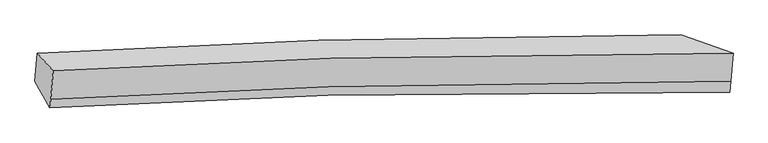
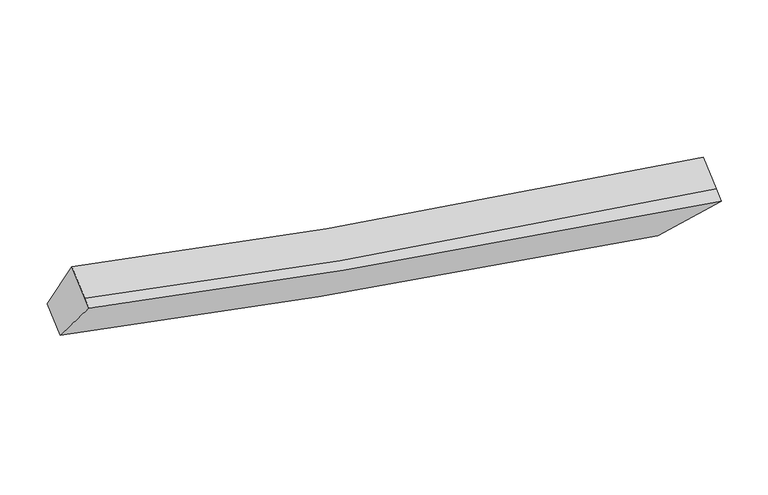
"""IFC4 building model written with IfcOpenShell, lengths in millimetres: proxy geometry."""

from ifc_helpers import new_model, si_unit, frame, origin, place, context, project, spatial, source, transform, mapped, element, save
from ifc_brep_helpers import plane_surface, spline_curve, spline_surface, advanced_brep


def generic_models_1519ae51(model_context):
    return source(origin(), model_context, "Body", "AdvancedBrep", [
        advanced_brep(
        [(-3916.2568812, -1845.2622903, 3776.219276), (-3700.7580294, -2086.6103816, 4414.1849938), (5531.1172964, -1843.661694, 2700.8749389), (4819.2965197, -1596.6662302, 2119.0775588), (-3734.8151906, -2470.1960046, 4176.0545596), (5497.2897457, -2224.661216, 2464.3499595), (-3745.3458458, -2588.8027175, 4102.423364), (5483.7503319, -2377.1555611, 2369.6812794), (-3949.7670828, -2222.6875116, 3541.9132269), (4783.2333839, -2002.8451356, 1866.9211866)],
        [
            (0, 1),
            (1, 2, spline_curve(3, [(-3700.7580294, -2086.6103816, 4414.1849938), (-2476.477195077, -2012.543853589, 4101.218623696), (-1219.579581357, -1955.316757199, 3818.466014689), (1829.593088354, -1859.816494672, 3221.315213543), (3649.987249866, -1836.060695121, 2932.964470644), (5531.1172964, -1843.661694, 2700.8749389)], [4, 2, 4], [0.0, 12.695854072647737, 30.020487913425615])),
            (2, 3),
            (3, 0, spline_curve(3, [(4819.2965197, -1596.6662302, 2119.0775588), (3240.167487551, -1588.919024116, 2310.745752084), (1602.589337722, -1613.239919767, 2575.766674472), (-1336.322188687, -1710.951954749, 3162.107617276), (-2610.595172415, -1769.496412065, 3449.467266795), (-3916.2568812, -1845.2622903, 3776.219276)], [4, 2, 4], [0.0, 17.324633840777878, 30.020487913425615])),
            (1, 4),
            (4, 5, spline_curve(3, [(-3734.8151906, -2470.1960046, 4176.0545596), (-2510.558076338, -2396.396633442, 3862.922338522), (-1253.660462722, -2339.169537045, 3580.169729456), (1795.568295451, -2243.037558146, 2983.411097982), (3616.038993808, -2218.419724589, 2695.59550709), (5497.2897457, -2224.661216, 2464.3499595)], [4, 2, 4], [0.0, 13.042086729224794, 30.839186145346698])),
            (5, 2),
            (4, 6),
            (6, 7, spline_curve(3, [(-3745.3458458, -2588.8027175, 4102.423364), (-2520.777912273, -2511.502588817, 3791.464417133), (-1263.880298096, -2454.275492502, 3508.711808379), (1784.613498666, -2366.421369186, 2906.814273987), (3604.08127796, -2353.099412939, 2611.986188574), (5483.7503319, -2377.1555611, 2369.6812794)], [4, 2, 4], [0.0, 13.042033286951957, 30.839059776289794])),
            (7, 5),
            (6, 8),
            (8, 9, spline_curve(3, [(-3949.7670828, -2222.6875116, 3541.9132269), (-2643.841643582, -2143.951238231, 3217.005242954), (-1369.568659634, -2085.406780569, 2929.645593345), (1568.719251708, -1994.718512645, 2338.944287309), (3205.446424072, -1979.982178517, 2067.973256744), (4783.2333839, -2002.8451356, 1866.9211866)], [4, 2, 4], [0.0, 12.69586715871862, 30.020518856616246])),
            (9, 7),
            (8, 0),
            (3, 9),
        ],
        [
            spline_surface(3, 3, [[(-3916.2568812, -1845.2622903, 3776.219276), (-2610.595172489, -1769.496412236, 3449.467266871), (-1336.322188653, -1710.951954691, 3162.107617131), (1602.589337675, -1613.239919845, 2575.76667467), (3240.167487477, -1588.919024017, 2310.745751993), (4819.2965197, -1596.6662302, 2119.0775588)], [(-3844.423930616, -1925.711654074, 3988.874515271), (-2565.889180077, -1850.512226029, 3666.717719185), (-1297.407986247, -1792.406888898, 3380.893749687), (1678.257254608, -1695.432111437, 2790.949520904), (3376.774074963, -1671.299581025, 2518.151991578), (5056.57011193, -1678.998051464, 2313.010018851)], [(-3772.590979984, -2006.161017826, 4201.529754529), (-2521.183187617, -1931.528039801, 3883.968171487), (-1258.493783846, -1873.861823062, 3599.679882252), (1753.925171534, -1777.624302985, 3006.132367147), (3513.38066246, -1753.680138042, 2725.55823111), (5293.84370417, -1761.329872736, 2506.942478849)], [(-3700.7580294, -2086.6103816, 4414.1849938), (-2476.477195205, -2012.543853594, 4101.218623801), (-1219.579581439, -1955.316757269, 3818.466014808), (1829.593088467, -1859.816494576, 3221.31521338), (3649.987249946, -1836.06069505, 2932.964470695), (5531.1172964, -1843.661694, 2700.8749389)]], [4, 4], [4, 2, 4], [0.0, 2.363377863019585], [0.0, 12.695854072647737, 30.020487913425615]),
            spline_surface(3, 3, [[(-3700.7580294, -2086.6103816, 4414.1849938), (-2476.477195205, -2012.543853594, 4101.218623801), (-1219.579581439, -1955.316757269, 3818.466014808), (1829.593088467, -1859.816494576, 3221.31521338), (3649.987249946, -1836.06069505, 2932.964470695), (5531.1172964, -1843.661694, 2700.8749389)], [(-3712.110416445, -2214.472255927, 4334.808182411), (-2487.837488875, -2140.494780193, 4021.786528651), (-1230.939875109, -2083.267683867, 3739.033919657), (1818.251490722, -1987.556849076, 3142.013841652), (3638.671164471, -1963.513704997, 2853.841482824), (5519.841446163, -1970.66153467, 2622.033279083)], [(-3723.462803555, -2342.334130273, 4255.431370989), (-2499.19778261, -2268.44570681, 3942.354433468), (-1242.300168844, -2211.218610484, 3659.601824474), (1806.909892911, -2115.297203595, 3062.712469891), (3627.355079005, -2090.966714936, 2774.718495005), (5508.565595937, -2097.66137533, 2543.191619317)], [(-3734.8151906, -2470.1960046, 4176.0545596), (-2510.55807628, -2396.396633408, 3862.922338317), (-1253.660462514, -2339.169537083, 3580.169729324), (1795.568295167, -2243.037558095, 2983.411098162), (3616.03899353, -2218.419724883, 2695.595507133), (5497.2897457, -2224.661216, 2464.3499595)]], [4, 4], [4, 2, 4], [0.0, 1.4848087113649695], [0.0, 13.042086729224794, 30.839186145346698]),
            spline_surface(3, 3, [[(-3734.8151906, -2470.1960046, 4176.0545596), (-2510.55807628, -2396.396633408, 3862.922338317), (-1253.660462514, -2339.169537083, 3580.169729324), (1795.568295167, -2243.037558095, 2983.411098162), (3616.03899353, -2218.419724883, 2695.595507133), (5497.2897457, -2224.661216, 2464.3499595)], [(-3738.325408997, -2509.731575556, 4151.510827737), (-2513.964688208, -2434.765285263, 3839.103031291), (-1257.067074442, -2377.538188937, 3556.350422298), (1791.916696432, -2284.165495034, 2957.878823507), (3612.053088281, -2263.312954295, 2667.725734205), (5492.776607761, -2275.492664372, 2432.793732819)], [(-3741.835627403, -2549.267146544, 4126.967095863), (-2517.371300145, -2473.133937149, 3815.283724254), (-1260.473686379, -2415.906840823, 3532.53111526), (1788.265097688, -2325.293432006, 2932.34654884), (3608.067183049, -2308.20618369, 2639.855961219), (5488.263469839, -2326.324112728, 2401.237506081)], [(-3745.3458458, -2588.8027175, 4102.423364), (-2520.777912073, -2511.502589003, 3791.464417228), (-1263.880298307, -2454.275492678, 3508.711808234), (1784.613498954, -2366.421368945, 2906.814274184), (3604.081277801, -2353.099413102, 2611.986188291), (5483.7503319, -2377.1555611, 2369.6812794)]], [4, 4], [4, 2, 4], [0.0, 0.46808330322007724], [0.0, 13.042033286951957, 30.839059776289794]),
            spline_surface(3, 3, [[(-3745.3458458, -2588.8027175, 4102.423364), (-2520.777912073, -2511.502589003, 3791.464417228), (-1263.880298307, -2454.275492678, 3508.711808234), (1784.613498954, -2366.421368945, 2906.814274184), (3604.081277801, -2353.099413102, 2611.986188291), (5483.7503319, -2377.1555611, 2369.6812794)], [(-3813.48625816, -2466.764315542, 3915.586651613), (-2561.799155931, -2388.985472029, 3599.978025798), (-1299.109752159, -2331.319255291, 3315.689736562), (1712.648749949, -2242.520416874, 2717.524278585), (3471.202993132, -2228.727001485, 2430.64854453), (5250.244682563, -2252.385419265, 2202.094581801)], [(-3881.62667044, -2344.725913558, 3728.749939287), (-2602.820399707, -2266.468355029, 3408.491634428), (-1334.339205976, -2208.363017897, 3122.66766493), (1640.684000979, -2118.619464796, 2528.234283026), (3338.324708473, -2104.354589872, 2249.310900767), (5016.739033237, -2127.615277435, 2034.507884199)], [(-3949.7670828, -2222.6875116, 3541.9132269), (-2643.841643564, -2143.951238055, 3217.005242999), (-1369.568659829, -2085.40678051, 2929.645593258), (1568.719251974, -1994.718512725, 2338.944287427), (3205.446423804, -1979.982178255, 2067.973257007), (4783.2333839, -2002.8451356, 1866.9211866)]], [4, 4], [4, 2, 4], [0.0, 2.3133223065923034], [0.0, 12.69586715871862, 30.020518856616246]),
            spline_surface(3, 3, [[(-3949.7670828, -2222.6875116, 3541.9132269), (-2643.841643564, -2143.951238055, 3217.005242999), (-1369.568659829, -2085.40678051, 2929.645593258), (1568.719251974, -1994.718512725, 2338.944287427), (3205.446423804, -1979.982178255, 2067.973257007), (4783.2333839, -2002.8451356, 1866.9211866)], [(-3938.597015582, -2096.8791045, 3620.015243268), (-2632.759486521, -2019.132962782, 3294.492584291), (-1358.486502786, -1960.588505237, 3007.13293455), (1580.009280526, -1867.558981765, 2417.885083176), (3217.020111711, -1849.627793505, 2148.897421982), (4795.254429183, -1867.452167129, 1950.973310646)], [(-3927.426948418, -1971.0706974, 3698.117259632), (-2621.677329532, -1894.314687509, 3371.979925579), (-1347.404345696, -1835.770229964, 3084.620275838), (1591.299309123, -1740.399450805, 2496.825878921), (3228.59379957, -1719.273408767, 2229.821587018), (4807.275474417, -1732.059198671, 2035.025434754)], [(-3916.2568812, -1845.2622903, 3776.219276), (-2610.595172489, -1769.496412236, 3449.467266871), (-1336.322188653, -1710.951954691, 3162.107617131), (1602.589337675, -1613.239919845, 2575.76667467), (3240.167487477, -1588.919024017, 2310.745751993), (4819.2965197, -1596.6662302, 2119.0775588)]], [4, 4], [4, 2, 4], [0.0, 1.4690585419589681], [0.0, 12.350008744496973, 29.202705554377165]),
            plane_surface(frame((5154.349383, -1955.0821553, 2264.138741), z_axis=(0.6625505024259688, 0.35171358078278575, -0.6613050648740315), x_axis=(-0.7452307957552666, 0.39820258032358236, -0.5348511625504923))),
            plane_surface(frame((-3828.0319598, -2185.8407253, 3958.6852151), z_axis=(-0.9534465839748532, -0.09335960310844466, 0.28674657105903983), x_axis=(-0.07521896564742572, -0.8471908062040044, -0.5259371113453969))),
        ],
        [
            (0, [[1, 2, 3, 4]]),
            (1, [[5, 6, 7, -2]]),
            (2, [[8, 9, 10, -6]]),
            (3, [[11, 12, 13, -9]]),
            (4, [[14, -4, 15, -12]]),
            (5, [[-13, -15, -3, -7, -10]]),
            (6, [[-14, -11, -8, -5, -1]]),
        ],
    ),
    ])


if __name__ == "__main__":
    model = new_model("IFC4")
    model_context = context("Model", 3, world=origin())
    ifc_project = project(units=[si_unit("LENGTHUNIT", "METRE", prefix="MILLI")], contexts=[model_context])
    site = spatial("IfcSite", under=ifc_project)
    building = spatial("IfcBuilding", under=site)
    placement = place(None, origin())
    generic_models_shape = generic_models_1519ae51(model_context)
    element("IfcBuildingElementProxy", 1, Name="Generic Models", at=placement, inside=building, context=model_context, shape_type="MappedRepresentation", body=[
        mapped(generic_models_shape, transform((0.0, 0.0, 0.0), x_axis=(1.0, 0.0, 0.0), y_axis=(0.0, 1.0, 0.0), z_axis=(0.0, 0.0, 1.0))),
    ])
    save(model, "model.ifc")
